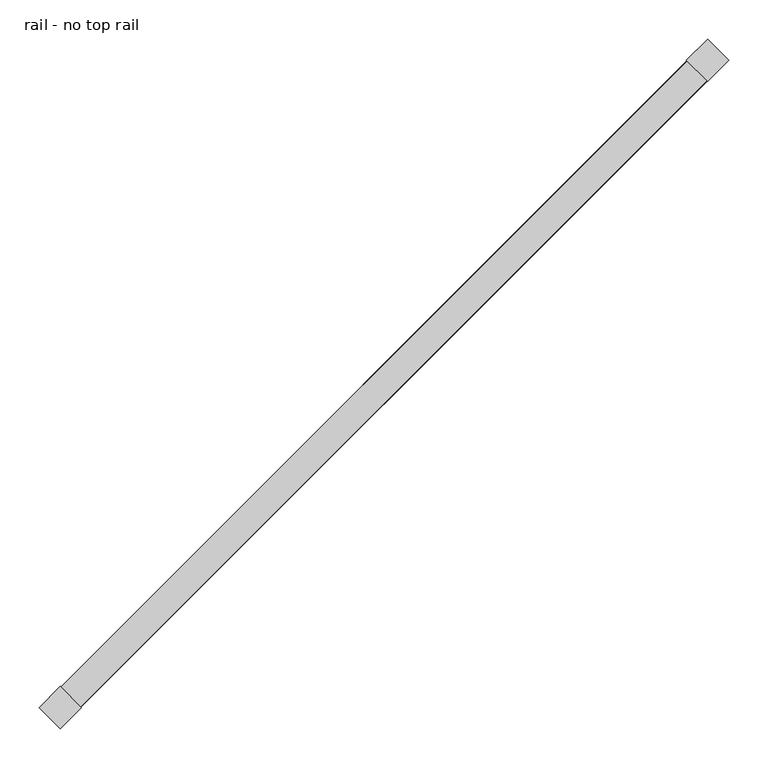
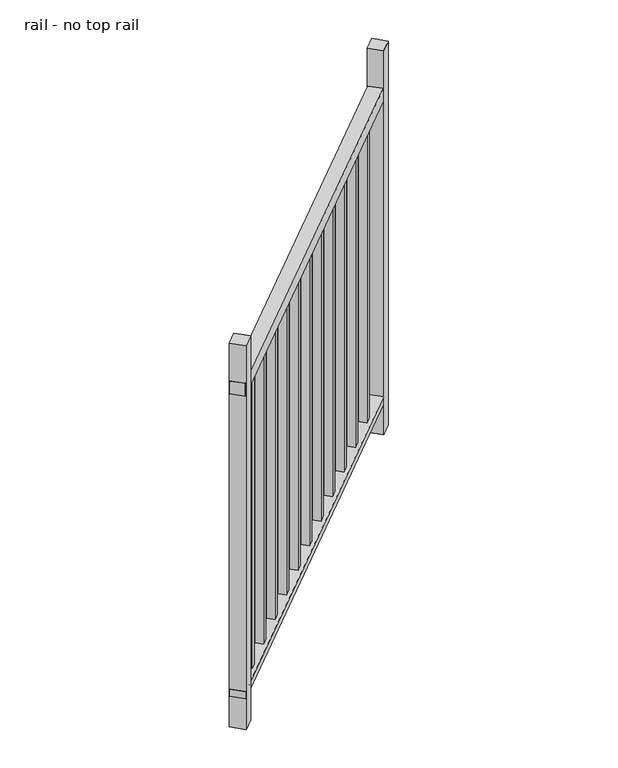
"""IFC4 building model written with IfcOpenShell, lengths in millimetres: railing geometry, rail - no top rail."""

from ifc_helpers import new_model, si_unit, frame, origin, origin_with_axes, place, context, project, spatial, polyline, outline, extrude, source, transform, mapped, element, save


def rail_no_top_rail_3a01a500(model_context):
    return source(origin(), model_context, "Body", "SweptSolid", [
        extrude(outline(polyline([(4537.769341, 1339.9550413), (4512.7228454, 1365.0015369), (5338.9064085, 2191.1851), (5363.9529041, 2166.1386045), (4537.769341, 1339.9550413)])), frame((0.0, 0.0, 893.1671875), z_axis=(0.0, 0.0, 1.0), x_axis=(1.0, 0.0, 0.0)), (0.0, 0.0, 1.0), 33.9328125),
        extrude(outline(polyline([(4538.1992707, 1339.5251116), (4512.2929156, 1365.4314667), (5338.4764787, 2191.6150298), (5364.3828339, 2165.7086747), (4538.1992707, 1339.5251116)])), frame((0.0, 0.0, 82.55), z_axis=(0.0, 0.0, 1.0), x_axis=(1.0, 0.0, 0.0)), (0.0, 0.0, 1.0), 19.0627),
        extrude(outline(polyline([(5269.1106419, 2109.813222), (5282.581026, 2123.2836062), (5296.0514102, 2109.813222), (5282.581026, 2096.3428378), (5269.1106419, 2109.813222)])), frame((0.0, 0.0, 101.6127), z_axis=(0.0, 0.0, 1.0), x_axis=(1.0, 0.0, 0.0)), (0.0, 0.0, 1.0), 791.5544875),
        extrude(outline(polyline([(5200.2620116, 2040.9645917), (5213.7323958, 2054.4349759), (5227.20278, 2040.9645917), (5213.7323958, 2027.4942075), (5200.2620116, 2040.9645917)])), frame((0.0, 0.0, 101.6127), z_axis=(0.0, 0.0, 1.0), x_axis=(1.0, 0.0, 0.0)), (0.0, 0.0, 1.0), 791.5544875),
        extrude(outline(polyline([(5131.4133813, 1972.1159615), (5144.8837655, 1985.5863456), (5158.3541497, 1972.1159615), (5144.8837655, 1958.6455773), (5131.4133813, 1972.1159615)])), frame((0.0, 0.0, 101.6127), z_axis=(0.0, 0.0, 1.0), x_axis=(1.0, 0.0, 0.0)), (0.0, 0.0, 1.0), 791.5544875),
        extrude(outline(polyline([(5062.5647511, 1903.2673312), (5076.0351353, 1916.7377154), (5089.5055194, 1903.2673312), (5076.0351353, 1889.796947), (5062.5647511, 1903.2673312)])), frame((0.0, 0.0, 101.6127), z_axis=(0.0, 0.0, 1.0), x_axis=(1.0, 0.0, 0.0)), (0.0, 0.0, 1.0), 791.5544875),
        extrude(outline(polyline([(4993.7161208, 1834.4187009), (5007.186505, 1847.8890851), (5020.6568892, 1834.4187009), (5007.186505, 1820.9483168), (4993.7161208, 1834.4187009)])), frame((0.0, 0.0, 101.6127), z_axis=(0.0, 0.0, 1.0), x_axis=(1.0, 0.0, 0.0)), (0.0, 0.0, 1.0), 791.5544875),
        extrude(outline(polyline([(4924.8674906, 1765.5700707), (4938.3378747, 1779.0404549), (4951.8082589, 1765.5700707), (4938.3378747, 1752.0996865), (4924.8674906, 1765.5700707)])), frame((0.0, 0.0, 101.6127), z_axis=(0.0, 0.0, 1.0), x_axis=(1.0, 0.0, 0.0)), (0.0, 0.0, 1.0), 791.5544875),
        extrude(outline(polyline([(4856.0188603, 1696.7214404), (4869.4892445, 1710.1918246), (4882.9596287, 1696.7214404), (4869.4892445, 1683.2510562), (4856.0188603, 1696.7214404)])), frame((0.0, 0.0, 101.6127), z_axis=(0.0, 0.0, 1.0), x_axis=(1.0, 0.0, 0.0)), (0.0, 0.0, 1.0), 791.5544875),
        extrude(outline(polyline([(4787.17023, 1627.8728102), (4800.6406142, 1641.3431943), (4814.1109984, 1627.8728102), (4800.6406142, 1614.402426), (4787.17023, 1627.8728102)])), frame((0.0, 0.0, 101.6127), z_axis=(0.0, 0.0, 1.0), x_axis=(1.0, 0.0, 0.0)), (0.0, 0.0, 1.0), 791.5544875),
        extrude(outline(polyline([(4718.3215998, 1559.0241799), (4731.791984, 1572.4945641), (4745.2623681, 1559.0241799), (4731.791984, 1545.5537957), (4718.3215998, 1559.0241799)])), frame((0.0, 0.0, 101.6127), z_axis=(0.0, 0.0, 1.0), x_axis=(1.0, 0.0, 0.0)), (0.0, 0.0, 1.0), 791.5544875),
        extrude(outline(polyline([(4649.4729695, 1490.1755496), (4662.9433537, 1503.6459338), (4676.4137379, 1490.1755496), (4662.9433537, 1476.7051655), (4649.4729695, 1490.1755496)])), frame((0.0, 0.0, 101.6127), z_axis=(0.0, 0.0, 1.0), x_axis=(1.0, 0.0, 0.0)), (0.0, 0.0, 1.0), 791.5544875),
        extrude(outline(polyline([(4580.6243392, 1421.3269194), (4594.0947234, 1434.7973036), (4607.5651076, 1421.3269194), (4594.0947234, 1407.8565352), (4580.6243392, 1421.3269194)])), frame((0.0, 0.0, 101.6127), z_axis=(0.0, 0.0, 1.0), x_axis=(1.0, 0.0, 0.0)), (0.0, 0.0, 1.0), 791.5544875),
        extrude(outline(polyline([(5391.8408089, 2192.1322364), (5364.9000405, 2165.1914681), (5337.9592721, 2192.1322364), (5364.9000405, 2219.0730048), (5391.8408089, 2192.1322364)])), origin_with_axes(), (0.0, 0.0, 1.0), 1028.7),
        extrude(outline(polyline([(4565.6572457, 1365.9486733), (4538.7164773, 1339.0079049), (4511.775709, 1365.9486733), (4538.7164773, 1392.8894417), (4565.6572457, 1365.9486733)])), origin_with_axes(), (0.0, 0.0, 1.0), 1028.7),
    ])


if __name__ == "__main__":
    model = new_model("IFC4")
    model_context = context("Model", 3, world=origin())
    ifc_project = project(units=[si_unit("LENGTHUNIT", "METRE", prefix="MILLI")], contexts=[model_context])
    site = spatial("IfcSite", under=ifc_project)
    building = spatial("IfcBuilding", under=site)
    placement = place(None, origin())
    rail_no_top_rail_shape = rail_no_top_rail_3a01a500(model_context)
    element("IfcRailing", 1, ObjectType="rail - no top rail", at=placement, inside=building, context=model_context, shape_type="MappedRepresentation", body=[
        mapped(rail_no_top_rail_shape, transform((0.0, 0.0, 0.0), x_axis=(1.0, 0.0, 0.0), y_axis=(0.0, 1.0, 0.0), z_axis=(0.0, 0.0, 1.0))),
    ])
    save(model, "model.ifc")
